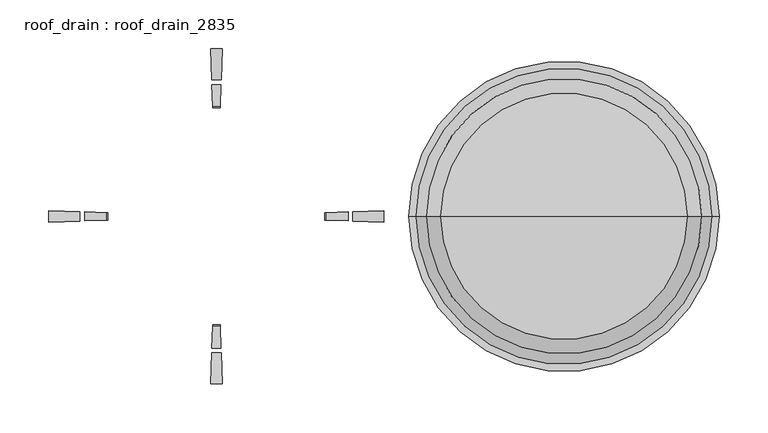
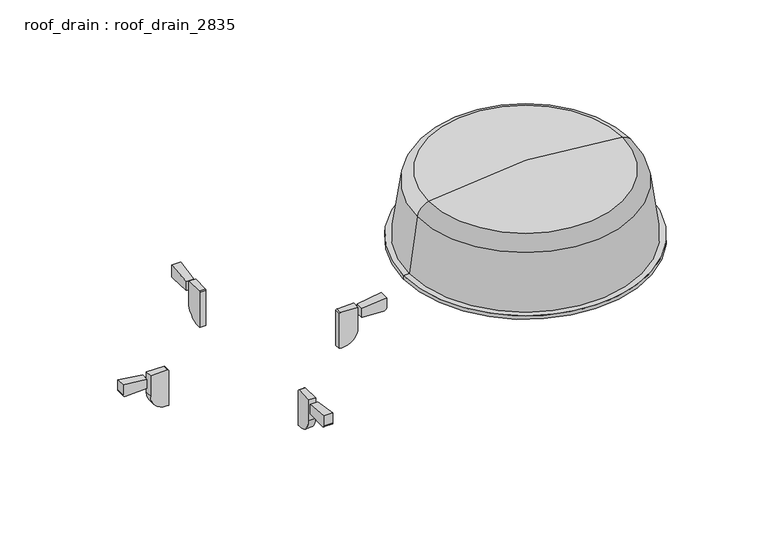
"""IFC4 building model written with IfcOpenShell, lengths in millimetres: proxy geometry, roof_drain : roof_drain_2835."""

import ifcopenshell
import ifcopenshell.guid

model = None  # the IFC model being written
_history = None  # IfcOwnerHistory: only IFC2X3 demands one
_inside = {}  # id of a spatial element -> (the spatial element, [elements in it])
_under = {}  # id of a project, library or spatial element -> (it, [spatial elements below it])
_declared = {}  # id of a project -> (the project, [libraries it declares])
_typed = {}  # id of a type object -> (the type object, [elements of that type])
_made_of = {}  # id of a material, layer set ... -> (it, [elements and type objects made of it])


def new_model(schema):
    """Start an empty IFC model of exactly this schema.

    Asked for "IFC4X3", IfcOpenShell would pick the latest addendum, in which some entities
    have other attributes; the version numbers below select the first issue.
    IFC2X3 requires an IfcOwnerHistory on every rooted entity: one is made here for all.
    """
    global model, _history
    if schema == "IFC4X3":
        model = ifcopenshell.file(schema_version=(4, 3, 0, 0))
    else:
        model = ifcopenshell.file(schema=schema)
    _inside.clear()
    _under.clear()
    _declared.clear()
    _typed.clear()
    _made_of.clear()
    _history = None
    if model.schema == "IFC2X3":
        org = make("IfcOrganization", Name="unknown")
        user = make(
            "IfcPersonAndOrganization",
            ThePerson=make("IfcPerson", FamilyName="unknown"),
            TheOrganization=org,
        )
        app = make(
            "IfcApplication",
            ApplicationDeveloper=org,
            Version="unknown",
            ApplicationFullName="unknown",
            ApplicationIdentifier="unknown",
        )
        _history = make(
            "IfcOwnerHistory",
            OwningUser=user,
            OwningApplication=app,
            ChangeAction="ADDED",
            CreationDate=0,
        )
    return model


def make(cls, **values):
    """One entity of the class cls with the attributes given. An attribute that is None is left unset."""
    return model.create_entity(
        cls, **{name: value for name, value in values.items() if value is not None}
    )


def rooted(cls, **values):
    """An entity with a GlobalId (a new one), such as an element, a storey or a relation."""
    return make(cls, GlobalId=ifcopenshell.guid.new(), OwnerHistory=_history, **values)


def si_unit(unit_type, name, prefix=None):
    """IfcSIUnit, for example si_unit("LENGTHUNIT", "METRE", prefix="MILLI")."""
    return make("IfcSIUnit", UnitType=unit_type, Prefix=prefix, Name=name)


def assignment(units):
    """IfcUnitAssignment: the units of a project."""
    return None if units is None else make("IfcUnitAssignment", Units=units)


def point(xyz):
    """IfcCartesianPoint."""
    return None if xyz is None else make("IfcCartesianPoint", Coordinates=xyz)


def direction(xyz):
    """IfcDirection."""
    return None if xyz is None else make("IfcDirection", DirectionRatios=xyz)


def frame(location, z_axis=None, x_axis=None):
    """IfcAxis2Placement3D, a coordinate frame: its origin and axes. An axis left out is left unset."""
    return make(
        "IfcAxis2Placement3D",
        Location=point(location),
        Axis=direction(z_axis),
        RefDirection=direction(x_axis),
    )


def origin():
    """The frame at (0, 0, 0) with its axes left unset."""
    return frame((0.0, 0.0, 0.0))


def place(relative_to, where):
    """IfcLocalPlacement: puts the frame where relative to a parent placement (None: the world)."""
    return make(
        "IfcLocalPlacement", PlacementRelTo=relative_to, RelativePlacement=where
    )


def context(
    kind, dimensions, precision=None, world=None, true_north=None, identifier=None
):
    """IfcGeometricRepresentationContext, for example the 3D "Model" context."""
    return make(
        "IfcGeometricRepresentationContext",
        ContextIdentifier=identifier,
        ContextType=kind,
        CoordinateSpaceDimension=dimensions,
        Precision=precision,
        WorldCoordinateSystem=world,
        TrueNorth=true_north,
    )


def project(units=None, contexts=None):
    """IfcProject with its units and contexts."""
    return rooted(
        "IfcProject",
        Name="project",
        RepresentationContexts=contexts,
        UnitsInContext=assignment(units),
    )


def spatial(cls, under=None, at=None, **own):
    """A site, building, storey or space (cls), placed at a placement, below another one or the project."""
    s = rooted(cls, ObjectPlacement=at, **own)
    if under is not None:
        _under.setdefault(under.id(), (under, []))[1].append(s)
    return s


def polyline(points):
    """IfcPolyline through the points."""
    return make("IfcPolyline", Points=[point(p) for p in points])


def circle_curve(where, radius):
    """IfcCircle in the frame where."""
    return make("IfcCircle", Position=where, Radius=radius)


def ellipse_curve(where, semi_axis1, semi_axis2):
    """IfcEllipse in the frame where."""
    return make(
        "IfcEllipse", Position=where, SemiAxis1=semi_axis1, SemiAxis2=semi_axis2
    )


def trimmed(basis, trim1, trim2, sense, master):
    """IfcTrimmedCurve: the piece of a basis curve between two trims."""
    return make(
        "IfcTrimmedCurve",
        BasisCurve=basis,
        Trim1=trim1,
        Trim2=trim2,
        SenseAgreement=sense,
        MasterRepresentation=master,
    )


def shape(context_of_items, identifier, shape_type, items):
    """IfcShapeRepresentation: the items that make up one representation, for example the "Body"."""
    return make(
        "IfcShapeRepresentation",
        ContextOfItems=context_of_items,
        RepresentationIdentifier=identifier,
        RepresentationType=shape_type,
        Items=items,
    )


def source(mapping_origin, context_of_items, identifier, shape_type, items):
    """IfcRepresentationMap: a shape defined once, which mapped items show again and again."""
    return make(
        "IfcRepresentationMap",
        MappingOrigin=mapping_origin,
        MappedRepresentation=shape(context_of_items, identifier, shape_type, items),
    )


def transform(
    local_origin,
    x_axis=None,
    y_axis=None,
    z_axis=None,
    scale=None,
    scale2=None,
    scale3=None,
    uniform=True,
):
    """IfcCartesianTransformationOperator3D, or its non-uniform kind. x_axis, y_axis, z_axis: its Axis1, 2, 3."""
    if uniform:
        return make(
            "IfcCartesianTransformationOperator3D",
            Axis1=direction(x_axis),
            Axis2=direction(y_axis),
            LocalOrigin=point(local_origin),
            Scale=scale,
            Axis3=direction(z_axis),
        )
    return make(
        "IfcCartesianTransformationOperator3DnonUniform",
        Axis1=direction(x_axis),
        Axis2=direction(y_axis),
        LocalOrigin=point(local_origin),
        Scale=scale,
        Axis3=direction(z_axis),
        Scale2=scale2,
        Scale3=scale3,
    )


def mapped(mapping_source, mapping_target):
    """IfcMappedItem: shows the shape of a source again, moved by a transform."""
    return make(
        "IfcMappedItem", MappingSource=mapping_source, MappingTarget=mapping_target
    )


def made_of(thing, what):
    """Note that an element or type object is made of a material, layer set ...; save() writes the relation."""
    if what is not None:
        _made_of.setdefault(what.id(), (what, []))[1].append(thing)
    return thing


def element(
    cls,
    number,
    at=None,
    inside=None,
    cuts=None,
    type_object=None,
    material=None,
    context=None,
    identifier="Body",
    shape_type=None,
    held_by="IfcProductDefinitionShape",
    body=None,
    shapes=None,
    **own,
):
    """One element of the class cls, such as IfcWall. Its Tag is "e" and its number.

    at: its placement. inside: the storey or other place that contains it. cuts: it is an
    opening in that element (IfcRelVoidsElement). A single representation is given by context,
    identifier, shape_type and body (its items); several are given by shapes. held_by: the class
    of the entity that holds the representations. save() writes the other relations.
    """
    e = rooted(cls, Tag="e%d" % number, ObjectPlacement=at, **own)
    if body is not None:
        shapes = [shape(context, identifier, shape_type, body)]
    if shapes is not None:
        e.Representation = make(held_by, Representations=shapes)
    if inside is not None:
        _inside.setdefault(inside.id(), (inside, []))[1].append(e)
    if cuts is not None:
        rooted(
            "IfcRelVoidsElement", RelatingBuildingElement=cuts, RelatedOpeningElement=e
        )
    if type_object is not None:
        _typed.setdefault(type_object.id(), (type_object, []))[1].append(e)
    return made_of(e, material)


def aggregate(whole, parts):
    """IfcRelAggregates: a whole, such as a stair, and the parts it consists of."""
    return rooted("IfcRelAggregates", RelatingObject=whole, RelatedObjects=parts)


def save(model, path):
    """Write the relations noted so far, then the file.

    IfcRelAggregates (storeys below a building ...), IfcRelContainedInSpatialStructure (elements
    in a storey), IfcRelDefinesByType, IfcRelAssociatesMaterial and IfcRelDeclares: one each for
    every whole, place, type object, material and project.
    """
    for whole, parts in _under.values():
        aggregate(whole, parts)
    for where, things in _inside.values():
        rooted(
            "IfcRelContainedInSpatialStructure",
            RelatedElements=things,
            RelatingStructure=where,
        )
    for kind, things in _typed.values():
        rooted("IfcRelDefinesByType", RelatedObjects=things, RelatingType=kind)
    for what, things in _made_of.values():
        rooted("IfcRelAssociatesMaterial", RelatedObjects=things, RelatingMaterial=what)
    for by, libraries in _declared.values():
        rooted("IfcRelDeclares", RelatingContext=by, RelatedDefinitions=libraries)
    model.write(path)


def plane_surface(at):
    """IfcPlane: the flat surface through the origin of the frame at, square to its z axis."""
    return make("IfcPlane", Position=at)


def cylinder_surface(at, radius):
    """IfcCylindricalSurface: all points at the distance radius from the z axis of the frame at."""
    return make("IfcCylindricalSurface", Position=at, Radius=radius)


def revolved_surface(curve, axis_point, axis_direction):
    """IfcSurfaceOfRevolution: the curve turned about the line through axis_point along axis_direction."""
    return make(
        "IfcSurfaceOfRevolution",
        SweptCurve=make("IfcArbitraryOpenProfileDef", ProfileType="CURVE", Curve=curve),
        AxisPosition=make("IfcAxis1Placement", Location=point(axis_point), Axis=direction(axis_direction)),
    )


def advanced_brep(points, edges, surfaces, faces):
    """IfcAdvancedBrep: a solid bounded by faces that lie on surfaces and meet in shared edges.

    An edge is (start, end): straight between two places in points (the first is 0);
    or (start, end, curve); or (start, end, curve, False) where it runs against its curve.
    A face is (place in surfaces, loops), or (place, loops, False) where it looks against
    its surface's normal. A loop lists edges by number (the first is 1), with a minus sign
    where the edge is run from its end to its start. The first loop is the outer one.
    """
    corners = [point(p) for p in points]
    vertices = [make("IfcVertexPoint", VertexGeometry=c) for c in corners]
    made = []
    for start, end, *more in edges:
        made.append(
            make(
                "IfcEdgeCurve",
                EdgeStart=vertices[start],
                EdgeEnd=vertices[end],
                EdgeGeometry=more[0] if more else make("IfcPolyline", Points=[corners[start], corners[end]]),
                SameSense=more[1] if len(more) > 1 else True,
            )
        )
    hull = []
    for where, loops, *sense in faces:
        bounds = []
        for j, loop in enumerate(loops):
            ring = [make("IfcOrientedEdge", EdgeElement=made[abs(k) - 1], Orientation=k > 0) for k in loop]
            bounds.append(
                make(
                    "IfcFaceOuterBound" if j == 0 else "IfcFaceBound",
                    Bound=make("IfcEdgeLoop", EdgeList=ring),
                    Orientation=True,
                )
            )
        hull.append(make("IfcAdvancedFace", Bounds=bounds, FaceSurface=surfaces[where], SameSense=sense[0] if sense else True))
    return make("IfcAdvancedBrep", Outer=make("IfcClosedShell", CfsFaces=hull))


def roof_drain_roof_drain_2835_a7122f9d(model_context):
    return source(origin(), model_context, "Body", "AdvancedBrep", [
        advanced_brep(
        [(177.8, 0.0, 3849.6197843), (303.7005172, 0.0, 3837.1409017), (51.8994828, 0.0, 3837.1409017), (52.8343876, 0.0, 3832.4710667), (302.7656124, 0.0, 3832.4710667), (177.8, 0.0, 3844.8572843), (41.4899088, 0.0, 3820.4447369), (314.1100912, 0.0, 3820.4447369), (30.4486755, 0.0, 3741.6697843), (325.1513245, 0.0, 3741.6697843), (19.05, 0.0, 3741.6697843), (336.55, 0.0, 3741.6697843), (19.05, 0.0, 3746.4322843), (336.55, 0.0, 3746.4322843), (26.3071429, 0.0, 3746.4322843), (329.2928571, 0.0, 3746.4322843), (36.773511, 0.0, 3821.1057954), (318.826489, 0.0, 3821.1057954)],
        [
            (0, 1, circle_curve(frame((177.8, 0.0, 3208.2697843), z_axis=(0.0, 1.0, 0.0), x_axis=(1.0, 0.0, 0.0)), 641.35)),
            (1, 2, circle_curve(frame((177.8, 0.0, 3837.1409017), z_axis=(0.0, 0.0, 1.0), x_axis=(1.0, 0.0, 0.0)), 125.9005172)),
            (2, 0, circle_curve(frame((177.8, 0.0, 3208.2697843), z_axis=(0.0, 1.0, 0.0), x_axis=(-1.0, 0.0, 0.0)), 641.35)),
            (2, 1, circle_curve(frame((177.8, 0.0, 3837.1409017), z_axis=(0.0, 0.0, 1.0), x_axis=(1.0, 0.0, 0.0)), 125.9005172)),
            (3, 4, circle_curve(frame((177.8, 0.0, 3832.4710667), z_axis=(0.0, 0.0, -1.0), x_axis=(1.0, 0.0, 0.0)), 124.9656124)),
            (4, 5, circle_curve(frame((177.8, 0.0, 3208.2697843), z_axis=(0.0, -1.0, 0.0), x_axis=(1.0, 0.0, 0.0)), 636.5875)),
            (5, 3, circle_curve(frame((177.8, 0.0, 3208.2697843), z_axis=(0.0, -1.0, 0.0), x_axis=(-1.0, 0.0, 0.0)), 636.5875)),
            (4, 3, circle_curve(frame((177.8, 0.0, 3832.4710667), z_axis=(0.0, 0.0, -1.0), x_axis=(1.0, 0.0, 0.0)), 124.9656124)),
            (6, 7, circle_curve(frame((177.8, 0.0, 3820.4447369), z_axis=(0.0, 0.0, -1.0), x_axis=(1.0, 0.0, 0.0)), 136.3100912)),
            (7, 4, circle_curve(frame((299.9608979, 0.0, 3818.4615616), z_axis=(0.0, -1.0, 0.0), x_axis=(1.0, 0.0, 0.0)), 14.2875)),
            (3, 6, circle_curve(frame((55.6391021, 0.0, 3818.4615616), z_axis=(0.0, -1.0, 0.0), x_axis=(-1.0, 0.0, 0.0)), 14.2875)),
            (7, 6, circle_curve(frame((177.8, 0.0, 3820.4447369), z_axis=(0.0, 0.0, -1.0), x_axis=(1.0, 0.0, 0.0)), 136.3100912)),
            (8, 9, circle_curve(frame((177.8, 0.0, 3741.6697843), z_axis=(0.0, 0.0, -1.0), x_axis=(1.0, 0.0, 0.0)), 147.3513245)),
            (9, 7),
            (6, 8),
            (9, 8, circle_curve(frame((177.8, 0.0, 3741.6697843), z_axis=(0.0, 0.0, -1.0), x_axis=(1.0, 0.0, 0.0)), 147.3513245)),
            (10, 11, circle_curve(frame((177.8, 0.0, 3741.6697843), z_axis=(0.0, 0.0, -1.0), x_axis=(1.0, 0.0, 0.0)), 158.75)),
            (11, 9),
            (8, 10),
            (11, 10, circle_curve(frame((177.8, 0.0, 3741.6697843), z_axis=(0.0, 0.0, -1.0), x_axis=(1.0, 0.0, 0.0)), 158.75)),
            (12, 13, circle_curve(frame((177.8, 0.0, 3746.4322843), z_axis=(0.0, 0.0, -1.0), x_axis=(1.0, 0.0, 0.0)), 158.75)),
            (13, 11),
            (10, 12),
            (13, 12, circle_curve(frame((177.8, 0.0, 3746.4322843), z_axis=(0.0, 0.0, -1.0), x_axis=(1.0, 0.0, 0.0)), 158.75)),
            (14, 15, circle_curve(frame((177.8, 0.0, 3746.4322843), z_axis=(0.0, 0.0, -1.0), x_axis=(1.0, 0.0, 0.0)), 151.4928571)),
            (15, 13),
            (12, 14),
            (15, 14, circle_curve(frame((177.8, 0.0, 3746.4322843), z_axis=(0.0, 0.0, -1.0), x_axis=(1.0, 0.0, 0.0)), 151.4928571)),
            (16, 17, circle_curve(frame((177.8, 0.0, 3821.1057954), z_axis=(0.0, 0.0, -1.0), x_axis=(1.0, 0.0, 0.0)), 141.026489)),
            (17, 15),
            (14, 16),
            (17, 16, circle_curve(frame((177.8, 0.0, 3821.1057954), z_axis=(0.0, 0.0, -1.0), x_axis=(1.0, 0.0, 0.0)), 141.026489)),
            (1, 17, circle_curve(frame((299.9608979, 0.0, 3818.4615616), z_axis=(0.0, 1.0, 0.0), x_axis=(1.0, 0.0, 0.0)), 19.05)),
            (16, 2, circle_curve(frame((55.6391021, 0.0, 3818.4615616), z_axis=(0.0, 1.0, 0.0), x_axis=(-1.0, 0.0, 0.0)), 19.05)),
        ],
        [
            revolved_surface(trimmed(ellipse_curve(frame((177.8, 0.0, 3208.2697843), z_axis=(0.0, -1.0, 0.0), x_axis=(1.0, 0.0, 0.0)), 641.35, 641.35), [point((303.7005172, 0.0, 3837.1409017))], [point((177.8, 0.0, 3849.6197843))], True, "CARTESIAN"), (177.8, 0.0, 3589.2697843), (0.0, 0.0, 1.0)),
            revolved_surface(trimmed(ellipse_curve(frame((177.8, 0.0, 3208.2697843), z_axis=(0.0, 1.0, 0.0), x_axis=(1.0, 0.0, 0.0)), 636.5875, 636.5875), [point((177.8, 0.0, 3844.8572843))], [point((302.7656124, 0.0, 3832.4710667))], True, "CARTESIAN"), (177.8, 0.0, 3589.2697843), (0.0, 0.0, 1.0)),
            revolved_surface(trimmed(ellipse_curve(frame((299.9608979, 0.0, 3818.4615616), z_axis=(0.0, 1.0, 0.0), x_axis=(1.0, 0.0, 0.0)), 14.2875, 14.2875), [point((302.7656124, 0.0, 3832.4710667))], [point((314.1100912, 0.0, 3820.4447369))], True, "CARTESIAN"), (177.8, 0.0, 3589.2697843), (0.0, 0.0, 1.0)),
            revolved_surface(polyline([(314.1100912, 0.0, 3820.4447369), (325.1513245, 0.0, 3741.6697843)]), (177.8, 0.0, 3589.2697843), (0.0, 0.0, 1.0)),
            plane_surface(frame((177.8, 0.0, 3741.6697843), z_axis=(0.0, 0.0, -1.0), x_axis=(1.0, 0.0, 0.0))),
            cylinder_surface(frame((177.8, 0.0, 3589.2697843), z_axis=(0.0, 0.0, 1.0), x_axis=(1.0, 0.0, 0.0)), 158.75),
            plane_surface(frame((177.8, 0.0, 3746.4322843), z_axis=(0.0, 0.0, 1.0), x_axis=(1.0, 0.0, 0.0))),
            revolved_surface(polyline([(329.2928571, 0.0, 3746.4322843), (318.826489, 0.0, 3821.1057954)]), (177.8, 0.0, 3589.2697843), (0.0, 0.0, 1.0)),
            revolved_surface(trimmed(ellipse_curve(frame((299.9608979, 0.0, 3818.4615616), z_axis=(0.0, -1.0, 0.0), x_axis=(1.0, 0.0, 0.0)), 19.05, 19.05), [point((318.826489, 0.0, 3821.1057954))], [point((303.7005172, 0.0, 3837.1409017))], True, "CARTESIAN"), (177.8, 0.0, 3589.2697843), (0.0, 0.0, 1.0)),
        ],
        [
            (0, [[1, 2, 3]]),
            (0, [[-3, 4, -1]]),
            (1, [[5, 6, 7]]),
            (1, [[8, -7, -6]]),
            (2, [[9, 10, -5, 11]]),
            (2, [[12, -11, -8, -10]]),
            (3, [[13, 14, -9, 15]]),
            (3, [[16, -15, -12, -14]]),
            (4, [[17, 18, -13, 19]]),
            (4, [[20, -19, -16, -18]]),
            (5, [[21, 22, -17, 23]]),
            (5, [[24, -23, -20, -22]]),
            (6, [[25, 26, -21, 27]]),
            (6, [[28, -27, -24, -26]]),
            (7, [[29, 30, -25, 31]]),
            (7, [[32, -31, -28, -30]]),
            (8, [[-2, 33, -29, 34]]),
            (8, [[-4, -34, -32, -33]]),
        ],
    ),
        advanced_brep(
        [(-171.8164813, 171.3455573, 3714.6822843), (-171.8164813, 171.3455573, 3728.1056941), (-172.9245403, 139.6148985, 3724.2072843), (-172.9245403, 139.6148985, 3711.5072843), (-171.9272872, 168.1724914, 3711.5072843), (-183.7835187, 171.3455573, 3714.6822843), (-183.6727128, 168.1724914, 3711.5072843), (-182.6754597, 139.6148985, 3711.5072843), (-182.6754597, 139.6148985, 3724.2072843), (-183.7835187, 171.3455573, 3728.1056941)],
        [
            (0, 1),
            (1, 2),
            (2, 3),
            (3, 4),
            (4, 0, circle_curve(frame((-171.9272872, 168.1724914, 3714.6822843), z_axis=(0.9993908270190829, -0.034899496702871076, 0.0), x_axis=(0.034899496702871076, 0.9993908270190829, 0.0)), 3.175)),
            (5, 6, circle_curve(frame((-183.6727128, 168.1724914, 3714.6822843), z_axis=(-0.9993908270191088, -0.0348994967021308, 0.0), x_axis=(-0.0348994967021308, 0.9993908270191088, 0.0)), 3.175)),
            (6, 7),
            (7, 8),
            (8, 9),
            (9, 5),
            (9, 1, circle_curve(frame((-177.8, 0.0, 3728.1056941), z_axis=(0.0, 0.0, -1.0), x_axis=(0.034899496702871076, 0.9993908270190829, 0.0)), 171.45)),
            (0, 5, circle_curve(frame((-177.8, 0.0, 3714.6822843), z_axis=(0.0, 0.0, 1.0), x_axis=(0.034899496702871076, 0.9993908270190829, 0.0)), 171.45)),
            (8, 2, circle_curve(frame((-177.8, 0.0, 3724.2072843), z_axis=(0.0, 0.0, -1.0), x_axis=(0.034899496702871076, 0.9993908270190829, 0.0)), 139.7)),
            (7, 3, circle_curve(frame((-177.8, 0.0, 3711.5072843), z_axis=(0.0, 0.0, -1.0), x_axis=(0.034899496702871076, 0.9993908270190829, 0.0)), 139.7)),
            (6, 4, circle_curve(frame((-177.8, 0.0, 3711.5072843), z_axis=(0.0, 0.0, -1.0), x_axis=(0.034899496702871076, 0.9993908270190829, 0.0)), 168.275)),
        ],
        [
            plane_surface(frame((-177.8, 0.0, 3905.1822843), z_axis=(0.9993908270190829, -0.034899496702871076, 0.0), x_axis=(0.034899496702871076, 0.9993908270190829, 0.0))),
            plane_surface(frame((-177.8, 0.0, 3905.1822843), z_axis=(-0.9993908270191086, -0.03489949670213079, 0.0), x_axis=(-0.03489949670213079, 0.9993908270191086, 0.0))),
            cylinder_surface(frame((-177.8, 0.0, 3905.1822843), z_axis=(0.0, 0.0, 1.0), x_axis=(0.034899496702871076, 0.9993908270190829, 0.0)), 171.45),
            revolved_surface(polyline([(-171.8164813, 171.3455573, 3728.1056941), (-172.9245403, 139.6148985, 3724.2072843)]), (-177.8, 0.0, 3905.1822843), (0.0, 0.0, 1.0)),
            revolved_surface(polyline([(-172.92454031060893, 139.61489853456587, 3724.2072843), (-172.92454031060893, 139.61489853456587, 3711.5072843)]), (-177.8, 0.0, 3905.1822843), (0.0, 0.0, 1.0)),
            plane_surface(frame((-177.8, 0.0, 3711.5072843), z_axis=(0.0, 0.0, -1.0000000000000002), x_axis=(0.034899496702871076, 0.9993908270190829, 0.0))),
            revolved_surface(trimmed(ellipse_curve(frame((-171.9272872, 168.1724914, 3714.6822843), z_axis=(0.9993908270190829, -0.034899496702871076, 0.0), x_axis=(0.034899496702871076, 0.9993908270190829, 0.0)), 3.175, 3.175), [point((-171.9272872, 168.1724914, 3711.5072843))], [point((-171.8164813, 171.3455573, 3714.6822843))], True, "CARTESIAN"), (-177.8, 0.0, 3905.1822843), (0.0, 0.0, 1.0)),
        ],
        [
            (0, [[1, 2, 3, 4, 5]]),
            (1, [[6, 7, 8, 9, 10]]),
            (2, [[11, -1, 12, -10]]),
            (3, [[13, -2, -11, -9]]),
            (4, [[14, -3, -13, -8]]),
            (5, [[15, -4, -14, -7]]),
            (6, [[-12, -5, -15, -6]]),
        ],
    ),
        advanced_brep(
        [(-173.9217934, 111.0573057, 3725.7947843), (-173.9217934, 111.0573057, 3678.1697843), (-173.8109875, 114.2303715, 3678.1697843), (-173.0907492, 134.8552997, 3698.8072843), (-173.0907492, 134.8552997, 3727.3822843), (-173.8663905, 112.6438386, 3727.3822843), (-181.6782066, 111.0573057, 3725.7947843), (-181.7336095, 112.6438386, 3727.3822843), (-182.5092508, 134.8552997, 3727.3822843), (-182.5092508, 134.8552997, 3698.8072843), (-181.7890125, 114.2303715, 3678.1697843), (-181.6782066, 111.0573057, 3678.1697843)],
        [
            (0, 1),
            (1, 2),
            (2, 3, circle_curve(frame((-173.8109875, 114.2303715, 3698.8072843), z_axis=(0.9993908270190829, -0.034899496702871076, 0.0), x_axis=(0.034899496702871076, 0.9993908270190829, 0.0)), 20.6375)),
            (3, 4),
            (4, 5),
            (5, 0, circle_curve(frame((-173.8663905, 112.6438386, 3725.7947843), z_axis=(0.9993908270190829, -0.034899496702871076, 0.0), x_axis=(0.034899496702871076, 0.9993908270190829, 0.0)), 1.5875)),
            (6, 7, circle_curve(frame((-181.7336095, 112.6438386, 3725.7947843), z_axis=(-0.9993908270191088, -0.0348994967021308, 0.0), x_axis=(-0.0348994967021308, 0.9993908270191088, 0.0)), 1.5875)),
            (7, 8),
            (8, 9),
            (9, 10, circle_curve(frame((-181.7890125, 114.2303715, 3698.8072843), z_axis=(-0.9993908270191088, -0.0348994967021308, 0.0), x_axis=(-0.0348994967021308, 0.9993908270191088, 0.0)), 20.6375)),
            (10, 11),
            (11, 6),
            (11, 1, circle_curve(frame((-177.8, 0.0, 3678.1697843), z_axis=(0.0, 0.0, -1.0), x_axis=(0.034899496702871076, 0.9993908270190829, 0.0)), 111.125)),
            (0, 6, circle_curve(frame((-177.8, 0.0, 3725.7947843), z_axis=(0.0, 0.0, 1.0), x_axis=(0.034899496702871076, 0.9993908270190829, 0.0)), 111.125)),
            (10, 2, circle_curve(frame((-177.8, 0.0, 3678.1697843), z_axis=(0.0, 0.0, -1.0), x_axis=(0.034899496702871076, 0.9993908270190829, 0.0)), 114.3)),
            (9, 3, circle_curve(frame((-177.8, 0.0, 3698.8072843), z_axis=(0.0, 0.0, -1.0), x_axis=(0.034899496702871076, 0.9993908270190829, 0.0)), 134.9375)),
            (8, 4, circle_curve(frame((-177.8, 0.0, 3727.3822843), z_axis=(0.0, 0.0, -1.0), x_axis=(0.034899496702871076, 0.9993908270190829, 0.0)), 134.9375)),
            (7, 5, circle_curve(frame((-177.8, 0.0, 3727.3822843), z_axis=(0.0, 0.0, -1.0), x_axis=(0.034899496702871076, 0.9993908270190829, 0.0)), 112.7125)),
        ],
        [
            plane_surface(frame((-177.8, 0.0, 3905.1822843), z_axis=(0.9993908270190829, -0.034899496702871076, 0.0), x_axis=(0.034899496702871076, 0.9993908270190829, 0.0))),
            plane_surface(frame((-177.8, 0.0, 3905.1822843), z_axis=(-0.9993908270191086, -0.03489949670213079, 0.0), x_axis=(-0.03489949670213079, 0.9993908270191086, 0.0))),
            revolved_surface(polyline([(-173.92179342889347, 111.05730565249559, 3725.7947843), (-173.92179342889347, 111.05730565249559, 3678.1697843)]), (-177.8, 0.0, 3905.1822843), (0.0, 0.0, 1.0)),
            plane_surface(frame((-177.8, 0.0, 3678.1697843), z_axis=(0.0, 0.0, -1.0000000000000002), x_axis=(0.034899496702871076, 0.9993908270190829, 0.0))),
            revolved_surface(trimmed(ellipse_curve(frame((-173.8109875, 114.2303715, 3698.8072843), z_axis=(0.9993908270190829, -0.034899496702871076, 0.0), x_axis=(0.034899496702871076, 0.9993908270190829, 0.0)), 20.6375, 20.6375), [point((-173.8109875, 114.2303715, 3678.1697843))], [point((-173.0907492, 134.8552997, 3698.8072843))], True, "CARTESIAN"), (-177.8, 0.0, 3905.1822843), (0.0, 0.0, 1.0)),
            cylinder_surface(frame((-177.8, 0.0, 3905.1822843), z_axis=(0.0, 0.0, 1.0), x_axis=(0.034899496702871076, 0.9993908270190829, 0.0)), 134.9375),
            plane_surface(frame((-177.8, 0.0, 3727.3822843), z_axis=(0.0, 0.0, 1.0000000000000002), x_axis=(0.034899496702871076, 0.9993908270190829, 0.0))),
            revolved_surface(trimmed(ellipse_curve(frame((-173.8663905, 112.6438386, 3725.7947843), z_axis=(0.9993908270190829, -0.034899496702871076, 0.0), x_axis=(0.034899496702871076, 0.9993908270190829, 0.0)), 1.5875, 1.5875), [point((-173.8663905, 112.6438386, 3727.3822843))], [point((-173.9217934, 111.0573057, 3725.7947843))], True, "CARTESIAN"), (-177.8, 0.0, 3905.1822843), (0.0, 0.0, 1.0)),
        ],
        [
            (0, [[1, 2, 3, 4, 5, 6]]),
            (1, [[7, 8, 9, 10, 11, 12]]),
            (2, [[13, -1, 14, -12]]),
            (3, [[15, -2, -13, -11]]),
            (4, [[16, -3, -15, -10]]),
            (5, [[17, -4, -16, -9]]),
            (6, [[18, -5, -17, -8]]),
            (7, [[-14, -6, -18, -7]]),
        ],
    ),
        advanced_brep(
        [(-183.7835187, -171.3455573, 3714.6822843), (-183.7835187, -171.3455573, 3728.1056941), (-182.6754597, -139.6148985, 3724.2072843), (-182.6754597, -139.6148985, 3711.5072843), (-183.6727128, -168.1724914, 3711.5072843), (-171.8164813, -171.3455573, 3714.6822843), (-171.9272872, -168.1724914, 3711.5072843), (-172.9245403, -139.6148985, 3711.5072843), (-172.9245403, -139.6148985, 3724.2072843), (-171.8164813, -171.3455573, 3728.1056941)],
        [
            (0, 1),
            (1, 2),
            (2, 3),
            (3, 4),
            (4, 0, circle_curve(frame((-183.6727128, -168.1724914, 3714.6822843), z_axis=(-0.9993908270190829, 0.034899496702871076, 0.0), x_axis=(-0.034899496702871076, -0.9993908270190829, 0.0)), 3.175)),
            (5, 6, circle_curve(frame((-171.9272872, -168.1724914, 3714.6822843), z_axis=(0.9993908270191088, 0.0348994967021308, 0.0), x_axis=(0.0348994967021308, -0.9993908270191088, 0.0)), 3.175)),
            (6, 7),
            (7, 8),
            (8, 9),
            (9, 5),
            (9, 1, circle_curve(frame((-177.8, 0.0, 3728.1056941), z_axis=(0.0, 0.0, -1.0), x_axis=(-0.034899496702871076, -0.9993908270190829, 0.0)), 171.45)),
            (0, 5, circle_curve(frame((-177.8, 0.0, 3714.6822843), z_axis=(0.0, 0.0, 1.0), x_axis=(-0.034899496702871076, -0.9993908270190829, 0.0)), 171.45)),
            (8, 2, circle_curve(frame((-177.8, 0.0, 3724.2072843), z_axis=(0.0, 0.0, -1.0), x_axis=(-0.034899496702871076, -0.9993908270190829, 0.0)), 139.7)),
            (7, 3, circle_curve(frame((-177.8, 0.0, 3711.5072843), z_axis=(0.0, 0.0, -1.0), x_axis=(-0.034899496702871076, -0.9993908270190829, 0.0)), 139.7)),
            (6, 4, circle_curve(frame((-177.8, 0.0, 3711.5072843), z_axis=(0.0, 0.0, -1.0), x_axis=(-0.034899496702871076, -0.9993908270190829, 0.0)), 168.275)),
        ],
        [
            plane_surface(frame((-177.8, 0.0, 3905.1822843), z_axis=(-0.9993908270190829, 0.034899496702871076, 0.0), x_axis=(-0.034899496702871076, -0.9993908270190829, 0.0))),
            plane_surface(frame((-177.8, 0.0, 3905.1822843), z_axis=(0.9993908270191086, 0.03489949670213079, 0.0), x_axis=(0.03489949670213079, -0.9993908270191086, 0.0))),
            cylinder_surface(frame((-177.8, 0.0, 3905.1822843), z_axis=(0.0, 0.0, 1.0), x_axis=(-0.034899496702871076, -0.9993908270190829, 0.0)), 171.45),
            revolved_surface(polyline([(-183.7835187, -171.3455573, 3728.1056941), (-182.6754597, -139.6148985, 3724.2072843)]), (-177.8, 0.0, 3905.1822843), (0.0, 0.0, 1.0)),
            revolved_surface(polyline([(-182.6754596893911, -139.61489853456587, 3724.2072843), (-182.6754596893911, -139.61489853456587, 3711.5072843)]), (-177.8, 0.0, 3905.1822843), (0.0, 0.0, 1.0)),
            plane_surface(frame((-177.8, 0.0, 3711.5072843), z_axis=(0.0, 0.0, -1.0000000000000002), x_axis=(-0.034899496702871076, -0.9993908270190829, 0.0))),
            revolved_surface(trimmed(ellipse_curve(frame((-183.6727128, -168.1724914, 3714.6822843), z_axis=(-0.9993908270190829, 0.034899496702871076, 0.0), x_axis=(-0.034899496702871076, -0.9993908270190829, 0.0)), 3.175, 3.175), [point((-183.6727128, -168.1724914, 3711.5072843))], [point((-183.7835187, -171.3455573, 3714.6822843))], True, "CARTESIAN"), (-177.8, 0.0, 3905.1822843), (0.0, 0.0, 1.0)),
        ],
        [
            (0, [[1, 2, 3, 4, 5]]),
            (1, [[6, 7, 8, 9, 10]]),
            (2, [[11, -1, 12, -10]]),
            (3, [[13, -2, -11, -9]]),
            (4, [[14, -3, -13, -8]]),
            (5, [[15, -4, -14, -7]]),
            (6, [[-12, -5, -15, -6]]),
        ],
    ),
        advanced_brep(
        [(-181.6782066, -111.0573057, 3725.7947843), (-181.6782066, -111.0573057, 3678.1697843), (-181.7890125, -114.2303715, 3678.1697843), (-182.5092508, -134.8552997, 3698.8072843), (-182.5092508, -134.8552997, 3727.3822843), (-181.7336095, -112.6438386, 3727.3822843), (-173.9217934, -111.0573057, 3725.7947843), (-173.8663905, -112.6438386, 3727.3822843), (-173.0907492, -134.8552997, 3727.3822843), (-173.0907492, -134.8552997, 3698.8072843), (-173.8109875, -114.2303715, 3678.1697843), (-173.9217934, -111.0573057, 3678.1697843)],
        [
            (0, 1),
            (1, 2),
            (2, 3, circle_curve(frame((-181.7890125, -114.2303715, 3698.8072843), z_axis=(-0.9993908270190829, 0.034899496702871076, 0.0), x_axis=(-0.034899496702871076, -0.9993908270190829, 0.0)), 20.6375)),
            (3, 4),
            (4, 5),
            (5, 0, circle_curve(frame((-181.7336095, -112.6438386, 3725.7947843), z_axis=(-0.9993908270190829, 0.034899496702871076, 0.0), x_axis=(-0.034899496702871076, -0.9993908270190829, 0.0)), 1.5875)),
            (6, 7, circle_curve(frame((-173.8663905, -112.6438386, 3725.7947843), z_axis=(0.9993908270191088, 0.0348994967021308, 0.0), x_axis=(0.0348994967021308, -0.9993908270191088, 0.0)), 1.5875)),
            (7, 8),
            (8, 9),
            (9, 10, circle_curve(frame((-173.8109875, -114.2303715, 3698.8072843), z_axis=(0.9993908270191088, 0.0348994967021308, 0.0), x_axis=(0.0348994967021308, -0.9993908270191088, 0.0)), 20.6375)),
            (10, 11),
            (11, 6),
            (11, 1, circle_curve(frame((-177.8, 0.0, 3678.1697843), z_axis=(0.0, 0.0, -1.0), x_axis=(-0.034899496702871076, -0.9993908270190829, 0.0)), 111.125)),
            (0, 6, circle_curve(frame((-177.8, 0.0, 3725.7947843), z_axis=(0.0, 0.0, 1.0), x_axis=(-0.034899496702871076, -0.9993908270190829, 0.0)), 111.125)),
            (10, 2, circle_curve(frame((-177.8, 0.0, 3678.1697843), z_axis=(0.0, 0.0, -1.0), x_axis=(-0.034899496702871076, -0.9993908270190829, 0.0)), 114.3)),
            (9, 3, circle_curve(frame((-177.8, 0.0, 3698.8072843), z_axis=(0.0, 0.0, -1.0), x_axis=(-0.034899496702871076, -0.9993908270190829, 0.0)), 134.9375)),
            (8, 4, circle_curve(frame((-177.8, 0.0, 3727.3822843), z_axis=(0.0, 0.0, -1.0), x_axis=(-0.034899496702871076, -0.9993908270190829, 0.0)), 134.9375)),
            (7, 5, circle_curve(frame((-177.8, 0.0, 3727.3822843), z_axis=(0.0, 0.0, -1.0), x_axis=(-0.034899496702871076, -0.9993908270190829, 0.0)), 112.7125)),
        ],
        [
            plane_surface(frame((-177.8, 0.0, 3905.1822843), z_axis=(-0.9993908270190829, 0.034899496702871076, 0.0), x_axis=(-0.034899496702871076, -0.9993908270190829, 0.0))),
            plane_surface(frame((-177.8, 0.0, 3905.1822843), z_axis=(0.9993908270191086, 0.03489949670213079, 0.0), x_axis=(0.03489949670213079, -0.9993908270191086, 0.0))),
            revolved_surface(polyline([(-181.67820657110656, -111.05730565249559, 3725.7947843), (-181.67820657110656, -111.05730565249559, 3678.1697843)]), (-177.8, 0.0, 3905.1822843), (0.0, 0.0, 1.0)),
            plane_surface(frame((-177.8, 0.0, 3678.1697843), z_axis=(0.0, 0.0, -1.0000000000000002), x_axis=(-0.034899496702871076, -0.9993908270190829, 0.0))),
            revolved_surface(trimmed(ellipse_curve(frame((-181.7890125, -114.2303715, 3698.8072843), z_axis=(-0.9993908270190829, 0.034899496702871076, 0.0), x_axis=(-0.034899496702871076, -0.9993908270190829, 0.0)), 20.6375, 20.6375), [point((-181.7890125, -114.2303715, 3678.1697843))], [point((-182.5092508, -134.8552997, 3698.8072843))], True, "CARTESIAN"), (-177.8, 0.0, 3905.1822843), (0.0, 0.0, 1.0)),
            cylinder_surface(frame((-177.8, 0.0, 3905.1822843), z_axis=(0.0, 0.0, 1.0), x_axis=(-0.034899496702871076, -0.9993908270190829, 0.0)), 134.9375),
            plane_surface(frame((-177.8, 0.0, 3727.3822843), z_axis=(0.0, 0.0, 1.0000000000000002), x_axis=(-0.034899496702871076, -0.9993908270190829, 0.0))),
            revolved_surface(trimmed(ellipse_curve(frame((-181.7336095, -112.6438386, 3725.7947843), z_axis=(-0.9993908270190829, 0.034899496702871076, 0.0), x_axis=(-0.034899496702871076, -0.9993908270190829, 0.0)), 1.5875, 1.5875), [point((-181.7336095, -112.6438386, 3727.3822843))], [point((-181.6782066, -111.0573057, 3725.7947843))], True, "CARTESIAN"), (-177.8, 0.0, 3905.1822843), (0.0, 0.0, 1.0)),
        ],
        [
            (0, [[1, 2, 3, 4, 5, 6]]),
            (1, [[7, 8, 9, 10, 11, 12]]),
            (2, [[13, -1, 14, -12]]),
            (3, [[15, -2, -13, -11]]),
            (4, [[16, -3, -15, -10]]),
            (5, [[17, -4, -16, -9]]),
            (6, [[18, -5, -17, -8]]),
            (7, [[-14, -6, -18, -7]]),
        ],
    ),
        advanced_brep(
        [(-349.1455573, 5.9835187, 3714.6822843), (-349.1455573, 5.9835187, 3728.1056941), (-317.4148985, 4.8754597, 3724.2072843), (-317.4148985, 4.8754597, 3711.5072843), (-345.9724914, 5.8727128, 3711.5072843), (-349.1455573, -5.9835187, 3714.6822843), (-345.9724914, -5.8727128, 3711.5072843), (-317.4148985, -4.8754597, 3711.5072843), (-317.4148985, -4.8754597, 3724.2072843), (-349.1455573, -5.9835187, 3728.1056941)],
        [
            (0, 1),
            (1, 2),
            (2, 3),
            (3, 4),
            (4, 0, circle_curve(frame((-345.9724914, 5.8727128, 3714.6822843), z_axis=(0.034899496702500934, 0.9993908270190958, 0.0), x_axis=(-0.9993908270190958, 0.034899496702500934, 0.0)), 3.175)),
            (5, 6, circle_curve(frame((-345.9724914, -5.8727128, 3714.6822843), z_axis=(0.03489949670250094, -0.9993908270190957, 0.0), x_axis=(-0.9993908270190957, -0.03489949670250094, 0.0)), 3.175)),
            (6, 7),
            (7, 8),
            (8, 9),
            (9, 5),
            (9, 1, circle_curve(frame((-177.8, 0.0, 3728.1056941), z_axis=(0.0, 0.0, -1.0), x_axis=(-0.9993908270190958, 0.034899496702500934, 0.0)), 171.45)),
            (0, 5, circle_curve(frame((-177.8, 0.0, 3714.6822843), z_axis=(0.0, 0.0, 1.0), x_axis=(-0.9993908270190958, 0.034899496702500934, 0.0)), 171.45)),
            (8, 2, circle_curve(frame((-177.8, 0.0, 3724.2072843), z_axis=(0.0, 0.0, -1.0), x_axis=(-0.9993908270190958, 0.034899496702500934, 0.0)), 139.7)),
            (7, 3, circle_curve(frame((-177.8, 0.0, 3711.5072843), z_axis=(0.0, 0.0, -1.0), x_axis=(-0.9993908270190958, 0.034899496702500934, 0.0)), 139.7)),
            (6, 4, circle_curve(frame((-177.8, 0.0, 3711.5072843), z_axis=(0.0, 0.0, -1.0), x_axis=(-0.9993908270190958, 0.034899496702500934, 0.0)), 168.275)),
        ],
        [
            plane_surface(frame((-177.8, 0.0, 3905.1822843), z_axis=(0.034899496702500934, 0.9993908270190958, 0.0), x_axis=(-0.9993908270190958, 0.034899496702500934, 0.0))),
            plane_surface(frame((-177.8, 0.0, 3905.1822843), z_axis=(0.03489949670250094, -0.9993908270190958, 0.0), x_axis=(-0.9993908270190958, -0.03489949670250094, 0.0))),
            cylinder_surface(frame((-177.8, 0.0, 3905.1822843), z_axis=(0.0, 0.0, 1.0), x_axis=(-0.9993908270190958, 0.034899496702500934, 0.0)), 171.45),
            revolved_surface(polyline([(-349.1455573, 5.9835187, 3728.1056941), (-317.4148985, 4.8754597, 3724.2072843)]), (-177.8, 0.0, 3905.1822843), (0.0, 0.0, 1.0)),
            revolved_surface(polyline([(-317.41489853456767, 4.8754596893393805, 3724.2072843), (-317.41489853456767, 4.8754596893393805, 3711.5072843)]), (-177.8, 0.0, 3905.1822843), (0.0, 0.0, 1.0)),
            plane_surface(frame((-177.8, 0.0, 3711.5072843), z_axis=(0.0, 0.0, -1.0), x_axis=(-0.9993908270190958, 0.034899496702500934, 0.0))),
            revolved_surface(trimmed(ellipse_curve(frame((-345.9724914, 5.8727128, 3714.6822843), z_axis=(0.034899496702500934, 0.9993908270190958, 0.0), x_axis=(-0.9993908270190958, 0.034899496702500934, 0.0)), 3.175, 3.175), [point((-345.9724914, 5.8727128, 3711.5072843))], [point((-349.1455573, 5.9835187, 3714.6822843))], True, "CARTESIAN"), (-177.8, 0.0, 3905.1822843), (0.0, 0.0, 1.0)),
        ],
        [
            (0, [[1, 2, 3, 4, 5]]),
            (1, [[6, 7, 8, 9, 10]]),
            (2, [[11, -1, 12, -10]]),
            (3, [[13, -2, -11, -9]]),
            (4, [[14, -3, -13, -8]]),
            (5, [[15, -4, -14, -7]]),
            (6, [[-12, -5, -15, -6]]),
        ],
    ),
        advanced_brep(
        [(-288.8573057, 3.8782066, 3725.7947843), (-288.8573057, 3.8782066, 3678.1697843), (-292.0303715, 3.9890125, 3678.1697843), (-312.6552997, 4.7092508, 3698.8072843), (-312.6552997, 4.7092508, 3727.3822843), (-290.4438386, 3.9336095, 3727.3822843), (-288.8573057, -3.8782066, 3725.7947843), (-290.4438386, -3.9336095, 3727.3822843), (-312.6552997, -4.7092508, 3727.3822843), (-312.6552997, -4.7092508, 3698.8072843), (-292.0303715, -3.9890125, 3678.1697843), (-288.8573057, -3.8782066, 3678.1697843)],
        [
            (0, 1),
            (1, 2),
            (2, 3, circle_curve(frame((-292.0303715, 3.9890125, 3698.8072843), z_axis=(0.034899496702500934, 0.9993908270190958, 0.0), x_axis=(-0.9993908270190958, 0.034899496702500934, 0.0)), 20.6375)),
            (3, 4),
            (4, 5),
            (5, 0, circle_curve(frame((-290.4438386, 3.9336095, 3725.7947843), z_axis=(0.034899496702500934, 0.9993908270190958, 0.0), x_axis=(-0.9993908270190958, 0.034899496702500934, 0.0)), 1.5875)),
            (6, 7, circle_curve(frame((-290.4438386, -3.9336095, 3725.7947843), z_axis=(0.03489949670250094, -0.9993908270190957, 0.0), x_axis=(-0.9993908270190957, -0.03489949670250094, 0.0)), 1.5875)),
            (7, 8),
            (8, 9),
            (9, 10, circle_curve(frame((-292.0303715, -3.9890125, 3698.8072843), z_axis=(0.03489949670250094, -0.9993908270190957, 0.0), x_axis=(-0.9993908270190957, -0.03489949670250094, 0.0)), 20.6375)),
            (10, 11),
            (11, 6),
            (11, 1, circle_curve(frame((-177.8, 0.0, 3678.1697843), z_axis=(0.0, 0.0, -1.0), x_axis=(-0.9993908270190958, 0.034899496702500934, 0.0)), 111.125)),
            (0, 6, circle_curve(frame((-177.8, 0.0, 3725.7947843), z_axis=(0.0, 0.0, 1.0), x_axis=(-0.9993908270190958, 0.034899496702500934, 0.0)), 111.125)),
            (10, 2, circle_curve(frame((-177.8, 0.0, 3678.1697843), z_axis=(0.0, 0.0, -1.0), x_axis=(-0.9993908270190958, 0.034899496702500934, 0.0)), 114.3)),
            (9, 3, circle_curve(frame((-177.8, 0.0, 3698.8072843), z_axis=(0.0, 0.0, -1.0), x_axis=(-0.9993908270190958, 0.034899496702500934, 0.0)), 134.9375)),
            (8, 4, circle_curve(frame((-177.8, 0.0, 3727.3822843), z_axis=(0.0, 0.0, -1.0), x_axis=(-0.9993908270190958, 0.034899496702500934, 0.0)), 134.9375)),
            (7, 5, circle_curve(frame((-177.8, 0.0, 3727.3822843), z_axis=(0.0, 0.0, -1.0), x_axis=(-0.9993908270190958, 0.034899496702500934, 0.0)), 112.7125)),
        ],
        [
            plane_surface(frame((-177.8, 0.0, 3905.1822843), z_axis=(0.034899496702500934, 0.9993908270190958, 0.0), x_axis=(-0.9993908270190958, 0.034899496702500934, 0.0))),
            plane_surface(frame((-177.8, 0.0, 3905.1822843), z_axis=(0.03489949670250094, -0.9993908270190958, 0.0), x_axis=(-0.9993908270190958, -0.03489949670250094, 0.0))),
            revolved_surface(polyline([(-288.857305652497, 3.8782065710654163, 3725.7947843), (-288.857305652497, 3.8782065710654163, 3678.1697843)]), (-177.8, 0.0, 3905.1822843), (0.0, 0.0, 1.0)),
            plane_surface(frame((-177.8, 0.0, 3678.1697843), z_axis=(0.0, 0.0, -1.0), x_axis=(-0.9993908270190958, 0.034899496702500934, 0.0))),
            revolved_surface(trimmed(ellipse_curve(frame((-292.0303715, 3.9890125, 3698.8072843), z_axis=(0.034899496702500934, 0.9993908270190958, 0.0), x_axis=(-0.9993908270190958, 0.034899496702500934, 0.0)), 20.6375, 20.6375), [point((-292.0303715, 3.9890125, 3678.1697843))], [point((-312.6552997, 4.7092508, 3698.8072843))], True, "CARTESIAN"), (-177.8, 0.0, 3905.1822843), (0.0, 0.0, 1.0)),
            cylinder_surface(frame((-177.8, 0.0, 3905.1822843), z_axis=(0.0, 0.0, 1.0), x_axis=(-0.9993908270190958, 0.034899496702500934, 0.0)), 134.9375),
            plane_surface(frame((-177.8, 0.0, 3727.3822843), z_axis=(0.0, 0.0, 1.0), x_axis=(-0.9993908270190958, 0.034899496702500934, 0.0))),
            revolved_surface(trimmed(ellipse_curve(frame((-290.4438386, 3.9336095, 3725.7947843), z_axis=(0.034899496702500934, 0.9993908270190958, 0.0), x_axis=(-0.9993908270190958, 0.034899496702500934, 0.0)), 1.5875, 1.5875), [point((-290.4438386, 3.9336095, 3727.3822843))], [point((-288.8573057, 3.8782066, 3725.7947843))], True, "CARTESIAN"), (-177.8, 0.0, 3905.1822843), (0.0, 0.0, 1.0)),
        ],
        [
            (0, [[1, 2, 3, 4, 5, 6]]),
            (1, [[7, 8, 9, 10, 11, 12]]),
            (2, [[13, -1, 14, -12]]),
            (3, [[15, -2, -13, -11]]),
            (4, [[16, -3, -15, -10]]),
            (5, [[17, -4, -16, -9]]),
            (6, [[18, -5, -17, -8]]),
            (7, [[-14, -6, -18, -7]]),
        ],
    ),
        advanced_brep(
        [(-6.4544427, -5.9835187, 3714.6822843), (-6.4544427, -5.9835187, 3728.1056941), (-38.1851015, -4.8754597, 3724.2072843), (-38.1851015, -4.8754597, 3711.5072843), (-9.6275086, -5.8727128, 3711.5072843), (-6.4544427, 5.9835187, 3714.6822843), (-9.6275086, 5.8727128, 3711.5072843), (-38.1851015, 4.8754597, 3711.5072843), (-38.1851015, 4.8754597, 3724.2072843), (-6.4544427, 5.9835187, 3728.1056941)],
        [
            (0, 1),
            (1, 2),
            (2, 3),
            (3, 4),
            (4, 0, circle_curve(frame((-9.6275086, -5.8727128, 3714.6822843), z_axis=(-0.034899496702500934, -0.9993908270190958, 0.0), x_axis=(0.9993908270190958, -0.034899496702500934, 0.0)), 3.175)),
            (5, 6, circle_curve(frame((-9.6275086, 5.8727128, 3714.6822843), z_axis=(-0.03489949670250094, 0.9993908270190957, 0.0), x_axis=(0.9993908270190957, 0.03489949670250094, 0.0)), 3.175)),
            (6, 7),
            (7, 8),
            (8, 9),
            (9, 5),
            (9, 1, circle_curve(frame((-177.8, 0.0, 3728.1056941), z_axis=(0.0, 0.0, -1.0), x_axis=(0.9993908270190958, -0.034899496702500934, 0.0)), 171.45)),
            (0, 5, circle_curve(frame((-177.8, 0.0, 3714.6822843), z_axis=(0.0, 0.0, 1.0), x_axis=(0.9993908270190958, -0.034899496702500934, 0.0)), 171.45)),
            (8, 2, circle_curve(frame((-177.8, 0.0, 3724.2072843), z_axis=(0.0, 0.0, -1.0), x_axis=(0.9993908270190958, -0.034899496702500934, 0.0)), 139.7)),
            (7, 3, circle_curve(frame((-177.8, 0.0, 3711.5072843), z_axis=(0.0, 0.0, -1.0), x_axis=(0.9993908270190958, -0.034899496702500934, 0.0)), 139.7)),
            (6, 4, circle_curve(frame((-177.8, 0.0, 3711.5072843), z_axis=(0.0, 0.0, -1.0), x_axis=(0.9993908270190958, -0.034899496702500934, 0.0)), 168.275)),
        ],
        [
            plane_surface(frame((-177.8, 0.0, 3905.1822843), z_axis=(-0.034899496702500934, -0.9993908270190958, 0.0), x_axis=(0.9993908270190958, -0.034899496702500934, 0.0))),
            plane_surface(frame((-177.8, 0.0, 3905.1822843), z_axis=(-0.03489949670250094, 0.9993908270190958, 0.0), x_axis=(0.9993908270190958, 0.03489949670250094, 0.0))),
            cylinder_surface(frame((-177.8, 0.0, 3905.1822843), z_axis=(0.0, 0.0, 1.0), x_axis=(0.9993908270190958, -0.034899496702500934, 0.0)), 171.45),
            revolved_surface(polyline([(-6.4544427, -5.9835187, 3728.1056941), (-38.1851015, -4.8754597, 3724.2072843)]), (-177.8, 0.0, 3905.1822843), (0.0, 0.0, 1.0)),
            revolved_surface(polyline([(-38.18510146543235, -4.8754596893393805, 3724.2072843), (-38.18510146543235, -4.8754596893393805, 3711.5072843)]), (-177.8, 0.0, 3905.1822843), (0.0, 0.0, 1.0)),
            plane_surface(frame((-177.8, 0.0, 3711.5072843), z_axis=(0.0, 0.0, -1.0), x_axis=(0.9993908270190958, -0.034899496702500934, 0.0))),
            revolved_surface(trimmed(ellipse_curve(frame((-9.6275086, -5.8727128, 3714.6822843), z_axis=(-0.034899496702500934, -0.9993908270190958, 0.0), x_axis=(0.9993908270190958, -0.034899496702500934, 0.0)), 3.175, 3.175), [point((-9.6275086, -5.8727128, 3711.5072843))], [point((-6.4544427, -5.9835187, 3714.6822843))], True, "CARTESIAN"), (-177.8, 0.0, 3905.1822843), (0.0, 0.0, 1.0)),
        ],
        [
            (0, [[1, 2, 3, 4, 5]]),
            (1, [[6, 7, 8, 9, 10]]),
            (2, [[11, -1, 12, -10]]),
            (3, [[13, -2, -11, -9]]),
            (4, [[14, -3, -13, -8]]),
            (5, [[15, -4, -14, -7]]),
            (6, [[-12, -5, -15, -6]]),
        ],
    ),
        advanced_brep(
        [(-66.7426943, -3.8782066, 3725.7947843), (-66.7426943, -3.8782066, 3678.1697843), (-63.5696285, -3.9890125, 3678.1697843), (-42.9447003, -4.7092508, 3698.8072843), (-42.9447003, -4.7092508, 3727.3822843), (-65.1561614, -3.9336095, 3727.3822843), (-66.7426943, 3.8782066, 3725.7947843), (-65.1561614, 3.9336095, 3727.3822843), (-42.9447003, 4.7092508, 3727.3822843), (-42.9447003, 4.7092508, 3698.8072843), (-63.5696285, 3.9890125, 3678.1697843), (-66.7426943, 3.8782066, 3678.1697843)],
        [
            (0, 1),
            (1, 2),
            (2, 3, circle_curve(frame((-63.5696285, -3.9890125, 3698.8072843), z_axis=(-0.034899496702500934, -0.9993908270190958, 0.0), x_axis=(0.9993908270190958, -0.034899496702500934, 0.0)), 20.6375)),
            (3, 4),
            (4, 5),
            (5, 0, circle_curve(frame((-65.1561614, -3.9336095, 3725.7947843), z_axis=(-0.034899496702500934, -0.9993908270190958, 0.0), x_axis=(0.9993908270190958, -0.034899496702500934, 0.0)), 1.5875)),
            (6, 7, circle_curve(frame((-65.1561614, 3.9336095, 3725.7947843), z_axis=(-0.03489949670250094, 0.9993908270190957, 0.0), x_axis=(0.9993908270190957, 0.03489949670250094, 0.0)), 1.5875)),
            (7, 8),
            (8, 9),
            (9, 10, circle_curve(frame((-63.5696285, 3.9890125, 3698.8072843), z_axis=(-0.03489949670250094, 0.9993908270190957, 0.0), x_axis=(0.9993908270190957, 0.03489949670250094, 0.0)), 20.6375)),
            (10, 11),
            (11, 6),
            (11, 1, circle_curve(frame((-177.8, 0.0, 3678.1697843), z_axis=(0.0, 0.0, -1.0), x_axis=(0.9993908270190958, -0.034899496702500934, 0.0)), 111.125)),
            (0, 6, circle_curve(frame((-177.8, 0.0, 3725.7947843), z_axis=(0.0, 0.0, 1.0), x_axis=(0.9993908270190958, -0.034899496702500934, 0.0)), 111.125)),
            (10, 2, circle_curve(frame((-177.8, 0.0, 3678.1697843), z_axis=(0.0, 0.0, -1.0), x_axis=(0.9993908270190958, -0.034899496702500934, 0.0)), 114.3)),
            (9, 3, circle_curve(frame((-177.8, 0.0, 3698.8072843), z_axis=(0.0, 0.0, -1.0), x_axis=(0.9993908270190958, -0.034899496702500934, 0.0)), 134.9375)),
            (8, 4, circle_curve(frame((-177.8, 0.0, 3727.3822843), z_axis=(0.0, 0.0, -1.0), x_axis=(0.9993908270190958, -0.034899496702500934, 0.0)), 134.9375)),
            (7, 5, circle_curve(frame((-177.8, 0.0, 3727.3822843), z_axis=(0.0, 0.0, -1.0), x_axis=(0.9993908270190958, -0.034899496702500934, 0.0)), 112.7125)),
        ],
        [
            plane_surface(frame((-177.8, 0.0, 3905.1822843), z_axis=(-0.034899496702500934, -0.9993908270190958, 0.0), x_axis=(0.9993908270190958, -0.034899496702500934, 0.0))),
            plane_surface(frame((-177.8, 0.0, 3905.1822843), z_axis=(-0.03489949670250094, 0.9993908270190958, 0.0), x_axis=(0.9993908270190958, 0.03489949670250094, 0.0))),
            revolved_surface(polyline([(-66.74269434750299, -3.8782065710654163, 3725.7947843), (-66.74269434750299, -3.8782065710654163, 3678.1697843)]), (-177.8, 0.0, 3905.1822843), (0.0, 0.0, 1.0)),
            plane_surface(frame((-177.8, 0.0, 3678.1697843), z_axis=(0.0, 0.0, -1.0), x_axis=(0.9993908270190958, -0.034899496702500934, 0.0))),
            revolved_surface(trimmed(ellipse_curve(frame((-63.5696285, -3.9890125, 3698.8072843), z_axis=(-0.034899496702500934, -0.9993908270190958, 0.0), x_axis=(0.9993908270190958, -0.034899496702500934, 0.0)), 20.6375, 20.6375), [point((-63.5696285, -3.9890125, 3678.1697843))], [point((-42.9447003, -4.7092508, 3698.8072843))], True, "CARTESIAN"), (-177.8, 0.0, 3905.1822843), (0.0, 0.0, 1.0)),
            cylinder_surface(frame((-177.8, 0.0, 3905.1822843), z_axis=(0.0, 0.0, 1.0), x_axis=(0.9993908270190958, -0.034899496702500934, 0.0)), 134.9375),
            plane_surface(frame((-177.8, 0.0, 3727.3822843), z_axis=(0.0, 0.0, 1.0), x_axis=(0.9993908270190958, -0.034899496702500934, 0.0))),
            revolved_surface(trimmed(ellipse_curve(frame((-65.1561614, -3.9336095, 3725.7947843), z_axis=(-0.034899496702500934, -0.9993908270190958, 0.0), x_axis=(0.9993908270190958, -0.034899496702500934, 0.0)), 1.5875, 1.5875), [point((-65.1561614, -3.9336095, 3727.3822843))], [point((-66.7426943, -3.8782066, 3725.7947843))], True, "CARTESIAN"), (-177.8, 0.0, 3905.1822843), (0.0, 0.0, 1.0)),
        ],
        [
            (0, [[1, 2, 3, 4, 5, 6]]),
            (1, [[7, 8, 9, 10, 11, 12]]),
            (2, [[13, -1, 14, -12]]),
            (3, [[15, -2, -13, -11]]),
            (4, [[16, -3, -15, -10]]),
            (5, [[17, -4, -16, -9]]),
            (6, [[18, -5, -17, -8]]),
            (7, [[-14, -6, -18, -7]]),
        ],
    ),
    ])


if __name__ == "__main__":
    model = new_model("IFC4")
    model_context = context("Model", 3, world=origin())
    ifc_project = project(units=[si_unit("LENGTHUNIT", "METRE", prefix="MILLI")], contexts=[model_context])
    site = spatial("IfcSite", under=ifc_project)
    building = spatial("IfcBuilding", under=site)
    placement = place(None, origin())
    roof_drain_roof_drain_2835_shape = roof_drain_roof_drain_2835_a7122f9d(model_context)
    element("IfcBuildingElementProxy", 1, Name="roof_drain : roof_drain_2835", ObjectType="roof_drain : roof_drain_2835", at=placement, inside=building, context=model_context, shape_type="MappedRepresentation", body=[
        mapped(roof_drain_roof_drain_2835_shape, transform((0.0, 0.0, 0.0), x_axis=(1.0, 0.0, 0.0), y_axis=(0.0, 1.0, 0.0), z_axis=(0.0, 0.0, 1.0))),
    ])
    save(model, "model.ifc")
